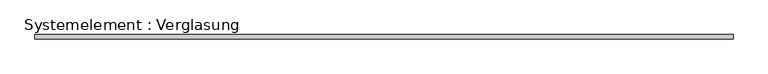
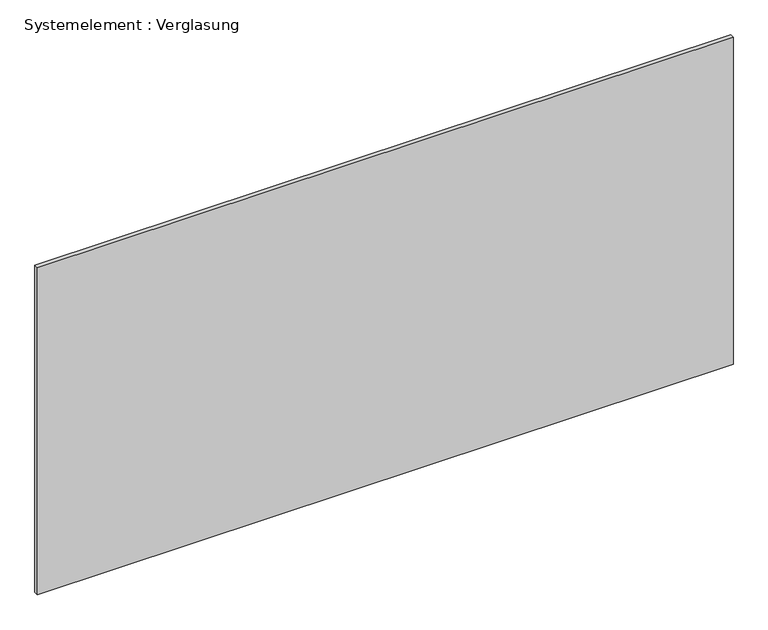
"""IFC4 building model written with IfcOpenShell, lengths in millimetres: plate geometry, Systemelement : Verglasung."""

from ifc_helpers import new_model, si_unit, origin, origin_with_axes, place, context, project, spatial, polyline, outline, extrude, source, transform, mapped, element, save


def systemelement_verglasung_8b353cbf(model_context):
    return source(origin(), model_context, "Body", "SweptSolid", [
        extrude(outline(polyline([(2479.9999997, -15.0), (-2479.9999997, -15.0), (-2479.9999997, 15.0), (2479.9999997, 15.0), (2479.9999997, -15.0)])), origin_with_axes(), (0.0, 0.0, 1.0), 2465.0),
    ])


if __name__ == "__main__":
    model = new_model("IFC4")
    model_context = context("Model", 3, world=origin())
    ifc_project = project(units=[si_unit("LENGTHUNIT", "METRE", prefix="MILLI")], contexts=[model_context])
    site = spatial("IfcSite", under=ifc_project)
    building = spatial("IfcBuilding", under=site)
    placement = place(None, origin())
    systemelement_verglasung_shape = systemelement_verglasung_8b353cbf(model_context)
    element("IfcPlate", 1, ObjectType="Systemelement : Verglasung", at=placement, inside=building, context=model_context, shape_type="MappedRepresentation", body=[
        mapped(systemelement_verglasung_shape, transform((0.0, 0.0, 0.0), x_axis=(1.0, 0.0, 0.0), y_axis=(0.0, 1.0, 0.0), z_axis=(0.0, 0.0, 1.0))),
    ])
    save(model, "model.ifc")
